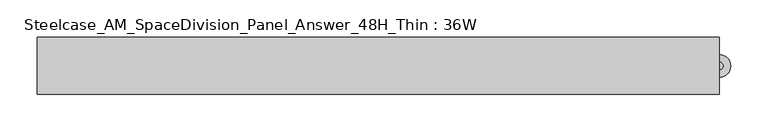
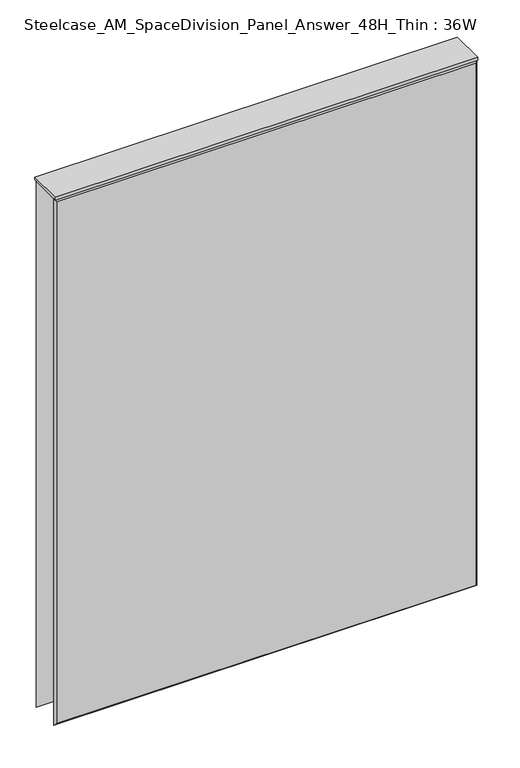
"""IFC4 building model written with IfcOpenShell, lengths in millimetres: furniture geometry, Steelcase_AM_SpaceDivision_Panel_Answer_48H_Thin : 36W."""

from ifc_helpers import new_model, si_unit, point, frame, frame_2d, origin, place, context, project, spatial, polyline, circle_curve, trimmed, segment, composite_curve, outline, extrude, faceted_brep, source, transform, mapped, element, save


def steelcase_am_spacedivision_panel_answer_48h_thin_36w_1570ff13(model_context):
    return source(origin(), model_context, "Body", "SolidModel", [
        extrude(outline(composite_curve([segment(trimmed(circle_curve(frame_2d((457.2, 1.94e-05)), 5.08), [point((462.28, 1.94e-05))], [point((452.12, 1.94e-05))], False, "CARTESIAN"), True, "CONTINUOUS"), segment(trimmed(circle_curve(frame_2d((457.2, 1.94e-05)), 5.08), [point((452.12, 1.94e-05))], [point((462.28, 1.94e-05))], False, "CARTESIAN"), True, "CONTINUOUS")], self_intersect=False)), frame((0.0, 0.0, 5.0799671), z_axis=(0.0, 0.0, 1.0), x_axis=(1.0, 0.0, 0.0)), (0.0, 0.0, 1.0), 10.414),
        extrude(outline(composite_curve([segment(trimmed(circle_curve(frame_2d((457.2, 1.94e-05)), 15.24), [point((472.44, 1.94e-05))], [point((441.96, 1.94e-05))], False, "CARTESIAN"), True, "CONTINUOUS"), segment(trimmed(circle_curve(frame_2d((457.2, 1.94e-05)), 15.24), [point((441.96, 1.94e-05))], [point((472.44, 1.94e-05))], False, "CARTESIAN"), True, "CONTINUOUS")], self_intersect=False)), frame((0.0, 0.0, -3.29e-05), z_axis=(0.0, 0.0, 1.0), x_axis=(1.0, 0.0, 0.0)), (0.0, 0.0, 1.0), 5.08),
        faceted_brep([(-452.374, -38.0960551, 1214.374), (-452.374, -38.0960551, 20.32), (452.374, -38.0960551, 20.32), (452.374, -38.0960551, 1214.374), (-457.2, -33.2700551, 1219.2), (457.2, -33.2700551, 1219.2), (457.2, -33.2700551, 15.494), (-457.2, -33.2700551, 15.494)], [[[0, 1, 2, 3]], [[4, 5, 6, 7]], [[4, 0, 3, 5]], [[5, 3, 2, 6]], [[6, 2, 1, 7]], [[7, 1, 0, 4]]]),
        faceted_brep([(452.374, 38.0960551, 1214.374), (452.374, 38.0960551, 20.32), (-452.374, 38.0960551, 20.32), (-452.374, 38.0960551, 1214.374), (457.2, 33.2700551, 1219.2), (-457.2, 33.2700551, 1219.2), (-457.2, 33.2700551, 15.494), (457.2, 33.2700551, 15.494)], [[[0, 1, 2, 3]], [[4, 5, 6, 7]], [[4, 0, 3, 5]], [[5, 3, 2, 6]], [[6, 2, 1, 7]], [[7, 1, 0, 4]]]),
        extrude(outline(polyline([(457.2, -38.1000194), (-457.2, -38.1000194), (-457.2, 38.1000194), (457.2, 38.1000194), (457.2, -38.1000194)])), frame((0.0, 0.0, 1219.2), z_axis=(0.0, 0.0, 1.0), x_axis=(1.0, 0.0, 0.0)), (0.0, 0.0, 1.0), 6.35),
    ])


if __name__ == "__main__":
    model = new_model("IFC4")
    model_context = context("Model", 3, world=origin())
    ifc_project = project(units=[si_unit("LENGTHUNIT", "METRE", prefix="MILLI")], contexts=[model_context])
    site = spatial("IfcSite", under=ifc_project)
    building = spatial("IfcBuilding", under=site)
    placement = place(None, origin())
    steelcase_am_spacedivision_panel_answer_48h_thin_36w_shape = steelcase_am_spacedivision_panel_answer_48h_thin_36w_1570ff13(model_context)
    element("IfcFurniture", 1, ObjectType="Steelcase_AM_SpaceDivision_Panel_Answer_48H_Thin : 36W", at=placement, inside=building, context=model_context, shape_type="MappedRepresentation", body=[
        mapped(steelcase_am_spacedivision_panel_answer_48h_thin_36w_shape, transform((0.0, 0.0, 0.0), x_axis=(1.0, 0.0, 0.0), y_axis=(0.0, 1.0, 0.0), z_axis=(0.0, 0.0, 1.0))),
    ])
    save(model, "model.ifc")
